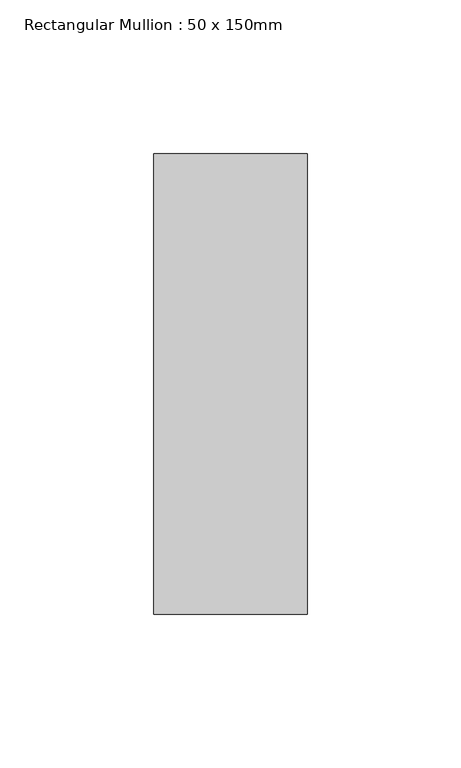
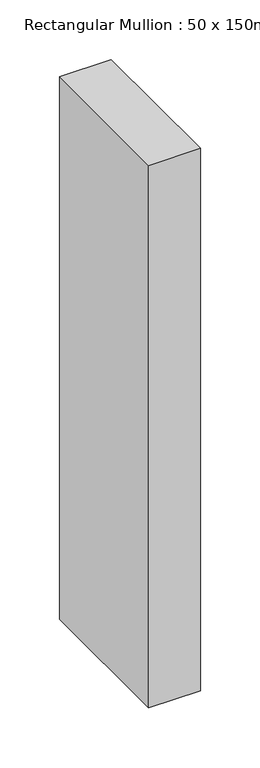
"""IFC4 building model written with IfcOpenShell, lengths in millimetres: member geometry, Rectangular Mullion : 50 x 150mm."""

from ifc_helpers import new_model, si_unit, frame, origin, place, context, project, spatial, polyline, outline, extrude, source, transform, mapped, element, save


def rectangular_mullion_50_x_150mm_4af17de0(model_context):
    return source(origin(), model_context, "Body", "SweptSolid", [
        extrude(outline(polyline([(25.0, 75.0), (25.0, -75.0), (-25.0, -75.0), (-25.0, 75.0), (25.0, 75.0)])), frame((0.0, 0.0, -556.0), z_axis=(0.0, 0.0, 1.0), x_axis=(1.0, 0.0, 0.0)), (0.0, 0.0, 1.0), 556.0),
    ])


if __name__ == "__main__":
    model = new_model("IFC4")
    model_context = context("Model", 3, world=origin())
    ifc_project = project(units=[si_unit("LENGTHUNIT", "METRE", prefix="MILLI")], contexts=[model_context])
    site = spatial("IfcSite", under=ifc_project)
    building = spatial("IfcBuilding", under=site)
    placement = place(None, origin())
    rectangular_mullion_50_x_150mm_shape = rectangular_mullion_50_x_150mm_4af17de0(model_context)
    element("IfcMember", 1, ObjectType="Rectangular Mullion : 50 x 150mm", at=placement, inside=building, context=model_context, shape_type="MappedRepresentation", body=[
        mapped(rectangular_mullion_50_x_150mm_shape, transform((0.0, 0.0, 0.0), x_axis=(1.0, 0.0, 0.0), y_axis=(0.0, 1.0, 0.0), z_axis=(0.0, 0.0, 1.0))),
    ])
    save(model, "model.ifc")
